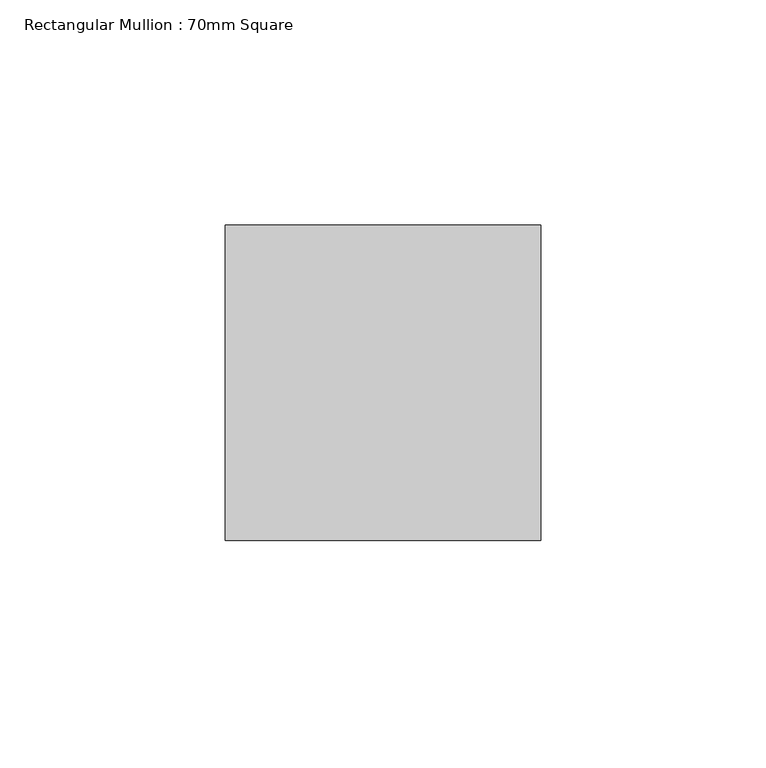
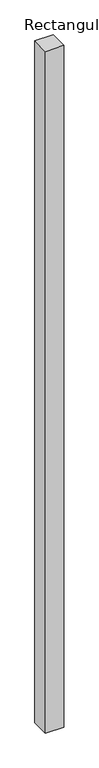
"""IFC4 building model written with IfcOpenShell, lengths in millimetres: member geometry, Rectangular Mullion : 70mm Square."""

from ifc_helpers import new_model, si_unit, frame, origin, place, context, project, spatial, polyline, outline, extrude, source, transform, mapped, element, save


def rectangular_mullion_70mm_square_47c0d7a5(model_context):
    return source(origin(), model_context, "Body", "SweptSolid", [
        extrude(outline(polyline([(0.0, 35.0), (0.0, -35.0), (-70.0, -35.0), (-70.0, 35.0), (0.0, 35.0)])), frame((0.0, 0.0, -2750.0190666), z_axis=(0.0, 0.0, 1.0), x_axis=(1.0, 0.0, 0.0)), (0.0, 0.0, 1.0), 2750.0190666),
    ])


if __name__ == "__main__":
    model = new_model("IFC4")
    model_context = context("Model", 3, world=origin())
    ifc_project = project(units=[si_unit("LENGTHUNIT", "METRE", prefix="MILLI")], contexts=[model_context])
    site = spatial("IfcSite", under=ifc_project)
    building = spatial("IfcBuilding", under=site)
    placement = place(None, origin())
    rectangular_mullion_70mm_square_shape = rectangular_mullion_70mm_square_47c0d7a5(model_context)
    element("IfcMember", 1, ObjectType="Rectangular Mullion : 70mm Square", at=placement, inside=building, context=model_context, shape_type="MappedRepresentation", body=[
        mapped(rectangular_mullion_70mm_square_shape, transform((0.0, 0.0, 0.0), x_axis=(1.0, 0.0, 0.0), y_axis=(0.0, 1.0, 0.0), z_axis=(0.0, 0.0, 1.0))),
    ])
    save(model, "model.ifc")
